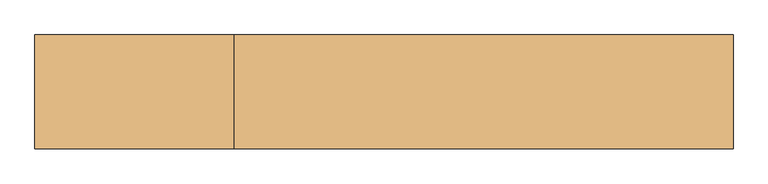
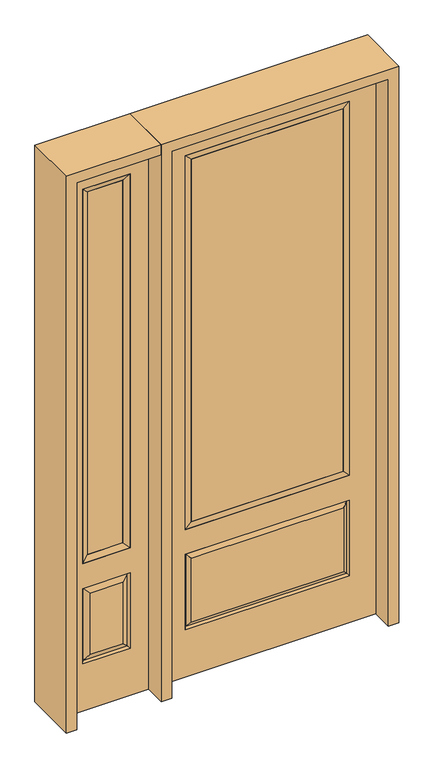
"""IFC4 building model written with IfcOpenShell, lengths in millimetres: door geometry."""

from ifc_helpers import new_model, si_unit, frame, origin, place, context, project, spatial, polyline, outline, extrude, faceted_brep, source, transform, mapped, element, save


def door_b0c9535c(model_context):
    return source(origin(), model_context, "Body", "SolidModel", [
        faceted_brep([(-857.25, -22.225, 0.0), (-501.65, -22.225, 0.0), (-501.65, -22.225, 2438.4), (-857.25, -22.225, 2438.4), (-579.12, -22.225, 2325.624), (-579.12, -22.225, 657.098), (-779.78, -22.225, 657.098), (-779.78, -22.225, 2325.624), (-579.12, -22.225, 209.55), (-779.78, -22.225, 209.55), (-779.78, -22.225, 546.1), (-579.12, -22.225, 546.1), (-748.0648999, -22.225, 241.2651001), (-610.8351001, -22.225, 241.2651001), (-610.8351001, -22.225, 514.3848999), (-748.0648999, -22.225, 514.3848999), (-857.25, 22.225, 0.0), (-857.25, 22.225, 2438.4), (-501.65, 22.225, 2438.4), (-501.65, 22.225, 0.0), (-579.12, 22.225, 2325.624), (-779.78, 22.225, 2325.624), (-779.78, 22.225, 657.098), (-579.12, 22.225, 657.098), (-779.78, 22.225, 209.55), (-579.12, 22.225, 209.55), (-579.12, 22.225, 546.1), (-779.78, 22.225, 546.1), (-610.8351001, 22.225, 241.2651001), (-748.0648999, 22.225, 241.2651001), (-748.0648999, 22.225, 514.3848999), (-610.8351001, 22.225, 514.3848999), (-586.2288501, 12.7912373, 216.6588501), (-772.6711499, 12.7912373, 216.6588501), (-772.6711499, 12.7912373, 538.9911499), (-586.2288501, 12.7912373, 538.9911499), (-772.6711499, -12.7912373, 216.6588501), (-586.2288501, -12.7912373, 216.6588501), (-772.6711499, -12.7912373, 538.9911499), (-586.2288501, -12.7912373, 538.9911499)], [[[0, 1, 2, 3], [4, 5, 6, 7], [8, 9, 10, 11]], [[12, 13, 14, 15]], [[16, 17, 18, 19], [20, 21, 22, 23], [24, 25, 26, 27]], [[28, 29, 30, 31]], [[1, 0, 16, 19]], [[2, 1, 19, 18]], [[3, 2, 18, 17]], [[0, 3, 17, 16]], [[5, 4, 20, 23]], [[6, 5, 23, 22]], [[7, 6, 22, 21]], [[4, 7, 21, 20]], [[32, 33, 29, 28]], [[33, 32, 25, 24]], [[29, 33, 34, 30]], [[33, 24, 27, 34]], [[30, 34, 35, 31]], [[34, 27, 26, 35]], [[32, 28, 31, 35]], [[25, 32, 35, 26]], [[12, 36, 37, 13]], [[37, 36, 9, 8]], [[36, 12, 15, 38]], [[9, 36, 38, 10]], [[38, 15, 14, 39]], [[10, 38, 39, 11]], [[13, 37, 39, 14]], [[37, 8, 11, 39]]]),
        faceted_brep([(-779.78, 22.225, 2325.624), (-779.78, -22.225, 2325.624), (-579.12, -22.225, 2325.624), (-579.12, 22.225, 2325.624), (-754.38, 12.7, 2300.224), (-604.52, 12.7, 2300.224), (-754.38, -12.7, 2300.224), (-604.52, -12.7, 2300.224), (-579.12, -22.225, 657.098), (-579.12, 22.225, 657.098), (-604.52, 12.7, 682.498), (-604.52, -12.7, 682.498), (-779.78, -22.225, 657.098), (-779.78, 22.225, 657.098), (-754.38, 12.7, 682.498), (-754.38, -12.7, 682.498)], [[[0, 1, 2, 3]], [[4, 0, 3, 5]], [[6, 4, 5, 7]], [[1, 6, 7, 2]], [[3, 2, 8, 9]], [[5, 3, 9, 10]], [[7, 5, 10, 11]], [[2, 7, 11, 8]], [[9, 8, 12, 13]], [[10, 9, 13, 14]], [[11, 10, 14, 15]], [[8, 11, 15, 12]], [[13, 12, 1, 0]], [[14, 13, 0, 4]], [[15, 14, 4, 6]], [[12, 15, 6, 1]]]),
        extrude(outline(polyline([(-604.52, -12.7), (-754.38, -12.7), (-754.38, 12.7), (-604.52, 12.7), (-604.52, -12.7)])), frame((0.0, 0.0, 682.498), z_axis=(0.0, 0.0, 1.0), x_axis=(1.0, 0.0, 0.0)), (0.0, 0.0, 1.0), 1617.726),
        extrude(outline(polyline([(320.675, -20.32), (-320.675, -20.32), (-320.675, 5.08), (320.675, 5.08), (320.675, -20.32)])), frame((0.0, 0.0, 682.498), z_axis=(0.0, 0.0, 1.0), x_axis=(1.0, 0.0, 0.0)), (0.0, 0.0, 1.0), 1616.202),
        faceted_brep([(-338.9661499, -12.7912373, 216.6588501), (338.9661499, -12.7912373, 216.6588501), (321.46875, -22.225, 234.15625), (-321.46875, -22.225, 234.15625), (-346.075, -22.225, 209.55), (346.075, -22.225, 209.55), (-338.9661499, -12.7912373, 538.9911499), (-346.075, -22.225, 546.1), (321.46875, -22.225, 521.49375), (-321.46875, -22.225, 521.49375), (457.2, -22.225, 2438.4), (-457.2, -22.225, 2438.4), (-457.2, -22.225, 0.0), (457.2, -22.225, 0.0), (346.075, -22.225, 546.1), (346.075, -22.225, 2324.1), (346.075, -22.225, 657.098), (-346.075, -22.225, 657.098), (-346.075, -22.225, 2324.1), (338.9661499, -12.7912373, 538.9911499), (-457.2, 22.225, 2438.4), (-457.2, 22.225, 0.0), (457.2, 22.225, 0.0), (457.2, 22.225, 2438.4), (346.075, 22.225, 2324.1), (346.075, 22.225, 657.098), (-346.075, 22.225, 657.098), (-346.075, 22.225, 2324.1), (-346.075, 22.225, 209.55), (346.075, 22.225, 209.55), (346.075, 22.225, 546.1), (-346.075, 22.225, 546.1), (321.46875, 22.225, 234.15625), (-321.46875, 22.225, 234.15625), (-321.46875, 22.225, 521.49375), (321.46875, 22.225, 521.49375), (-338.9661499, 12.7912373, 216.6588501), (338.9661499, 12.7912373, 216.6588501), (338.9661499, 12.7912373, 538.9911499), (-338.9661499, 12.7912373, 538.9911499)], [[[0, 1, 2, 3]], [[1, 0, 4, 5]], [[4, 0, 6, 7]], [[3, 2, 8, 9]], [[10, 11, 12, 13], [5, 4, 7, 14], [15, 16, 17, 18]], [[1, 5, 14, 19]], [[2, 1, 19, 8]], [[0, 3, 9, 6]], [[7, 6, 19, 14]], [[6, 9, 8, 19]], [[12, 11, 20, 21]], [[13, 12, 21, 22]], [[10, 13, 22, 23]], [[16, 15, 24, 25]], [[17, 16, 25, 26]], [[18, 17, 26, 27]], [[23, 22, 21, 20], [28, 29, 30, 31], [24, 27, 26, 25]], [[32, 33, 34, 35]], [[28, 36, 37, 29]], [[29, 37, 38, 30]], [[39, 31, 30, 38]], [[36, 28, 31, 39]], [[37, 36, 33, 32]], [[33, 36, 39, 34]], [[34, 39, 38, 35]], [[37, 32, 35, 38]], [[11, 10, 23, 20]], [[15, 18, 27, 24]]]),
        faceted_brep([(-346.075, -22.225, 2324.1), (-346.075, 22.225, 2324.1), (-346.075, 22.225, 657.098), (-346.075, -22.225, 657.098), (346.075, 22.225, 657.098), (346.075, -22.225, 657.098), (-320.675, 5.08, 682.498), (320.675, 5.08, 682.498), (346.075, 22.225, 2324.1), (346.075, -22.225, 2324.1), (-320.675, -20.32, 682.498), (320.675, -20.32, 682.498), (-320.675, -20.32, 2298.7), (320.675, -20.32, 2298.7), (-320.675, 5.08, 2298.7), (320.675, 5.08, 2298.7)], [[[0, 1, 2, 3]], [[3, 2, 4, 5]], [[2, 6, 7, 4]], [[5, 4, 8, 9]], [[10, 3, 5, 11]], [[12, 0, 3, 10]], [[11, 5, 9, 13]], [[6, 10, 11, 7]], [[14, 12, 10, 6]], [[7, 11, 13, 15]], [[1, 14, 6, 2]], [[4, 7, 15, 8]], [[9, 8, 1, 0]], [[13, 9, 0, 12]], [[15, 13, 12, 14]], [[8, 15, 14, 1]]]),
        extrude(outline(polyline([(2438.4, -501.65), (2482.85, -501.65), (2482.85, -901.7), (0.0, -901.7), (0.0, -857.25), (2438.4, -857.25), (2438.4, -501.65)])), frame((0.0, -114.3, 0.0), z_axis=(0.0, 1.0, 0.0), x_axis=(0.0, 0.0, 1.0)), (0.0, 0.0, 1.0), 228.6),
        extrude(outline(polyline([(2482.85, -501.65), (0.0, -501.65), (0.0, -457.2), (2438.4, -457.2), (2438.4, 457.2), (0.0, 457.2), (0.0, 501.65), (2482.85, 501.65), (2482.85, -501.65)])), frame((0.0, -114.3, 0.0), z_axis=(0.0, 1.0, 0.0), x_axis=(0.0, 0.0, 1.0)), (0.0, 0.0, 1.0), 228.6),
    ])


if __name__ == "__main__":
    model = new_model("IFC4")
    model_context = context("Model", 3, world=origin())
    ifc_project = project(units=[si_unit("LENGTHUNIT", "METRE", prefix="MILLI")], contexts=[model_context])
    site = spatial("IfcSite", under=ifc_project)
    building = spatial("IfcBuilding", under=site)
    placement = place(None, origin())
    door_shape = door_b0c9535c(model_context)
    element("IfcDoor", 1, at=placement, inside=building, context=model_context, shape_type="MappedRepresentation", body=[
        mapped(door_shape, transform((0.0, 0.0, 0.0), x_axis=(1.0, 0.0, 0.0), y_axis=(0.0, 1.0, 0.0), z_axis=(0.0, 0.0, 1.0))),
    ])
    save(model, "model.ifc")
